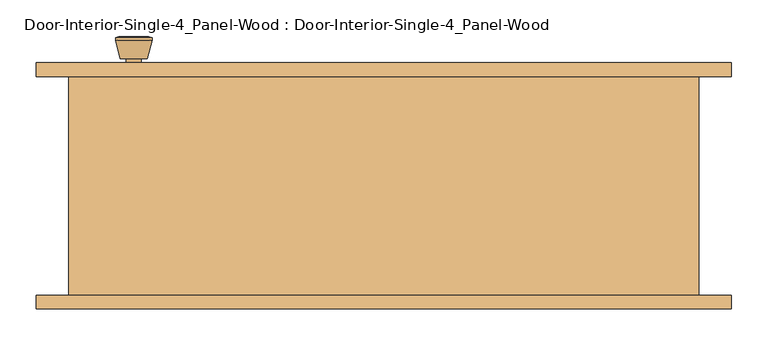
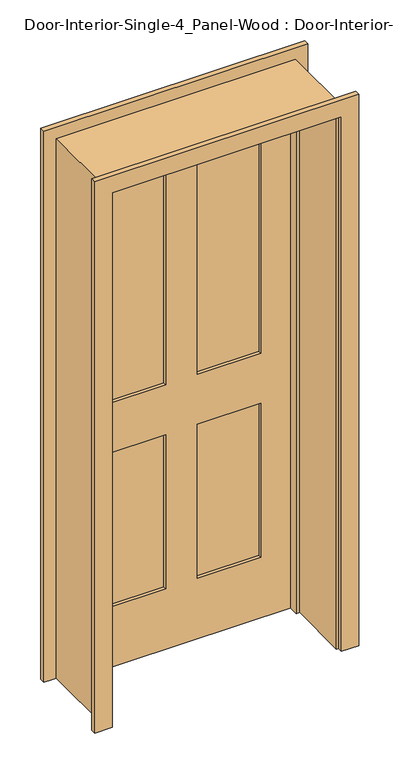
"""IFC4 building model written with IfcOpenShell, lengths in millimetres: door geometry, Door-Interior-Single-4_Panel-Wood : Door-Interior-Single-4_Panel-Wood."""

from ifc_helpers import new_model, si_unit, point, frame, frame_2d, origin, place, context, project, spatial, polyline, circle_curve, trimmed, segment, composite_curve, outline, extrude, faceted_brep, source, transform, mapped, element, save
from ifc_brep_helpers import plane_surface, cylinder_surface, revolved_surface, advanced_brep


def door_interior_single_4_panel_wood_door_interior_single_4_845aaf07(model_context):
    return source(origin(), model_context, "Body", "SolidModel", [
        advanced_brep(
        [(-342.9, 105.9, 914.4), (-332.9, 105.9, 914.4), (-352.9, 105.9, 914.4), (-322.4241324, 56.9, 914.4), (-342.9, 56.9, 914.4), (-363.3758676, 56.9, 914.4), (-317.9, 58.7278681, 914.4), (-367.9, 58.7278681, 914.4), (-317.9, 62.1915463, 914.4), (-367.9, 62.1915463, 914.4), (-324.263764, 86.9, 914.4), (-361.536236, 86.9, 914.4), (-332.9, 86.9, 914.4), (-352.9, 86.9, 914.4)],
        [
            (0, 1),
            (1, 2, circle_curve(frame((-342.9, 105.9, 914.4), z_axis=(0.0, 1.0, 0.0), x_axis=(-1.0, 0.0, 0.0)), 10.0)),
            (2, 0),
            (2, 1, circle_curve(frame((-342.9, 105.9, 914.4), z_axis=(0.0, 1.0, 0.0), x_axis=(-1.0, 0.0, 0.0)), 10.0)),
            (3, 4),
            (4, 5),
            (5, 3, circle_curve(frame((-342.9, 56.9, 914.4), z_axis=(0.0, -1.0, 0.0), x_axis=(-1.0, 0.0, 0.0)), 20.4758676)),
            (3, 5, circle_curve(frame((-342.9, 56.9, 914.4), z_axis=(0.0, -1.0, 0.0), x_axis=(-1.0, 0.0, 0.0)), 20.4758676)),
            (6, 3),
            (5, 7),
            (7, 6, circle_curve(frame((-342.9, 58.7278681, 914.4), z_axis=(0.0, -1.0, 0.0), x_axis=(-1.0, 0.0, 0.0)), 25.0)),
            (6, 7, circle_curve(frame((-342.9, 58.7278681, 914.4), z_axis=(0.0, -1.0, 0.0), x_axis=(-1.0, 0.0, 0.0)), 25.0)),
            (8, 6),
            (7, 9),
            (9, 8, circle_curve(frame((-342.9, 62.1915463, 914.4), z_axis=(0.0, -1.0, 0.0), x_axis=(-1.0, 0.0, 0.0)), 25.0)),
            (8, 9, circle_curve(frame((-342.9, 62.1915463, 914.4), z_axis=(0.0, -1.0, 0.0), x_axis=(-1.0, 0.0, 0.0)), 25.0)),
            (10, 8),
            (9, 11),
            (11, 10, circle_curve(frame((-342.9, 86.9, 914.4), z_axis=(0.0, -1.0, 0.0), x_axis=(-1.0, 0.0, 0.0)), 18.636236)),
            (10, 11, circle_curve(frame((-342.9, 86.9, 914.4), z_axis=(0.0, -1.0, 0.0), x_axis=(-1.0, 0.0, 0.0)), 18.636236)),
            (12, 10),
            (11, 13),
            (13, 12, circle_curve(frame((-342.9, 86.9, 914.4), z_axis=(0.0, -1.0, 0.0), x_axis=(-1.0, 0.0, 0.0)), 10.0)),
            (12, 13, circle_curve(frame((-342.9, 86.9, 914.4), z_axis=(0.0, -1.0, 0.0), x_axis=(-1.0, 0.0, 0.0)), 10.0)),
            (1, 12),
            (13, 2),
        ],
        [
            plane_surface(frame((-342.9, 105.9, 914.4), z_axis=(0.0, 1.0, 0.0), x_axis=(-1.0, 0.0, 0.0))),
            plane_surface(frame((-342.9, 56.9, 914.4), z_axis=(0.0, -1.0, 0.0), x_axis=(-1.0, 0.0, 0.0))),
            revolved_surface(polyline([(-363.3758676, 56.9, 914.4), (-367.9, 58.7278681, 914.4)]), (-342.9, 105.9, 914.4), (0.0, 1.0, 0.0)),
            cylinder_surface(frame((-342.9, 105.9, 914.4), z_axis=(0.0, 1.0, 0.0), x_axis=(-1.0, 0.0, 0.0)), 25.0),
            revolved_surface(polyline([(-367.9, 62.1915463, 914.4), (-361.536236, 86.9, 914.4)]), (-342.9, 105.9, 914.4), (0.0, 1.0, 0.0)),
            plane_surface(frame((-342.9, 86.9, 914.4), z_axis=(0.0, 1.0, 0.0), x_axis=(-1.0, 0.0, 0.0))),
            cylinder_surface(frame((-342.9, 105.9, 914.4), z_axis=(0.0, 1.0, 0.0), x_axis=(-1.0, 0.0, 0.0)), 10.0),
        ],
        [
            (0, [[1, 2, 3]]),
            (0, [[-3, 4, -1]]),
            (1, [[5, 6, 7]]),
            (1, [[-6, -5, 8]]),
            (2, [[9, -7, 10, 11]]),
            (2, [[-10, -8, -9, 12]]),
            (3, [[13, -11, 14, 15]]),
            (3, [[-14, -12, -13, 16]]),
            (4, [[17, -15, 18, 19]]),
            (4, [[-18, -16, -17, 20]]),
            (5, [[21, -19, 22, 23]]),
            (5, [[-22, -20, -21, 24]]),
            (6, [[25, -23, 26, -2]]),
            (6, [[-26, -24, -25, -4]]),
        ],
    ),
        extrude(outline(composite_curve([segment(trimmed(circle_curve(frame_2d((914.4, -342.9)), 30.0), [point((914.4, -372.9))], [point((914.4, -312.9))], False, "CARTESIAN"), True, "CONTINUOUS"), segment(trimmed(circle_curve(frame_2d((914.4, -342.9)), 30.0), [point((914.4, -312.9))], [point((914.4, -372.9))], False, "CARTESIAN"), True, "CONTINUOUS")], self_intersect=False)), frame((0.0, 105.9, 0.0), z_axis=(0.0, 1.0, 0.0), x_axis=(0.0, 0.0, 1.0)), (0.0, 0.0, 1.0), 6.0),
        advanced_brep(
        [(-342.9, 152.825, 914.4), (-352.9, 152.825, 914.4), (-332.9, 152.825, 914.4), (-322.4241324, 201.825, 914.4), (-363.3758676, 201.825, 914.4), (-342.9, 201.825, 914.4), (-317.9, 199.9971319, 914.4), (-367.9, 199.9971319, 914.4), (-317.9, 196.5334537, 914.4), (-367.9, 196.5334537, 914.4), (-324.263764, 171.825, 914.4), (-361.536236, 171.825, 914.4), (-332.9, 171.825, 914.4), (-352.9, 171.825, 914.4)],
        [
            (0, 1),
            (1, 2, circle_curve(frame((-342.9, 152.825, 914.4), z_axis=(0.0, -1.0, 0.0), x_axis=(-1.0, 0.0, 0.0)), 10.0)),
            (2, 0),
            (2, 1, circle_curve(frame((-342.9, 152.825, 914.4), z_axis=(0.0, -1.0, 0.0), x_axis=(-1.0, 0.0, 0.0)), 10.0)),
            (3, 4, circle_curve(frame((-342.9, 201.825, 914.4), z_axis=(0.0, 1.0, 0.0), x_axis=(-1.0, 0.0, 0.0)), 20.4758676)),
            (4, 5),
            (5, 3),
            (4, 3, circle_curve(frame((-342.9, 201.825, 914.4), z_axis=(0.0, 1.0, 0.0), x_axis=(-1.0, 0.0, 0.0)), 20.4758676)),
            (6, 7, circle_curve(frame((-342.9, 199.9971319, 914.4), z_axis=(0.0, 1.0, 0.0), x_axis=(-1.0, 0.0, 0.0)), 25.0)),
            (7, 4),
            (3, 6),
            (7, 6, circle_curve(frame((-342.9, 199.9971319, 914.4), z_axis=(0.0, 1.0, 0.0), x_axis=(-1.0, 0.0, 0.0)), 25.0)),
            (8, 9, circle_curve(frame((-342.9, 196.5334537, 914.4), z_axis=(0.0, 1.0, 0.0), x_axis=(-1.0, 0.0, 0.0)), 25.0)),
            (9, 7),
            (6, 8),
            (9, 8, circle_curve(frame((-342.9, 196.5334537, 914.4), z_axis=(0.0, 1.0, 0.0), x_axis=(-1.0, 0.0, 0.0)), 25.0)),
            (10, 11, circle_curve(frame((-342.9, 171.825, 914.4), z_axis=(0.0, 1.0, 0.0), x_axis=(-1.0, 0.0, 0.0)), 18.636236)),
            (11, 9),
            (8, 10),
            (11, 10, circle_curve(frame((-342.9, 171.825, 914.4), z_axis=(0.0, 1.0, 0.0), x_axis=(-1.0, 0.0, 0.0)), 18.636236)),
            (12, 13, circle_curve(frame((-342.9, 171.825, 914.4), z_axis=(0.0, 1.0, 0.0), x_axis=(-1.0, 0.0, 0.0)), 10.0)),
            (13, 11),
            (10, 12),
            (13, 12, circle_curve(frame((-342.9, 171.825, 914.4), z_axis=(0.0, 1.0, 0.0), x_axis=(-1.0, 0.0, 0.0)), 10.0)),
            (1, 13),
            (12, 2),
        ],
        [
            plane_surface(frame((-342.9, 152.825, 914.4), z_axis=(0.0, -1.0, 0.0), x_axis=(-1.0, 0.0, 0.0))),
            plane_surface(frame((-342.9, 201.825, 914.4), z_axis=(0.0, 1.0, 0.0), x_axis=(-1.0, 0.0, 0.0))),
            revolved_surface(polyline([(-363.3758676, 201.825, 914.4), (-367.9, 199.9971319, 914.4)]), (-342.9, 152.825, 914.4), (0.0, -1.0, 0.0)),
            cylinder_surface(frame((-342.9, 152.825, 914.4), z_axis=(0.0, -1.0, 0.0), x_axis=(-1.0, 0.0, 0.0)), 25.0),
            revolved_surface(polyline([(-367.9, 196.5334537, 914.4), (-361.536236, 171.825, 914.4)]), (-342.9, 152.825, 914.4), (0.0, -1.0, 0.0)),
            plane_surface(frame((-342.9, 171.825, 914.4), z_axis=(0.0, -1.0, 0.0), x_axis=(-1.0, 0.0, 0.0))),
            cylinder_surface(frame((-342.9, 152.825, 914.4), z_axis=(0.0, -1.0, 0.0), x_axis=(-1.0, 0.0, 0.0)), 10.0),
        ],
        [
            (0, [[1, 2, 3]]),
            (0, [[-3, 4, -1]]),
            (1, [[5, 6, 7]]),
            (1, [[8, -7, -6]]),
            (2, [[9, 10, -5, 11]]),
            (2, [[12, -11, -8, -10]]),
            (3, [[13, 14, -9, 15]]),
            (3, [[16, -15, -12, -14]]),
            (4, [[17, 18, -13, 19]]),
            (4, [[20, -19, -16, -18]]),
            (5, [[21, 22, -17, 23]]),
            (5, [[24, -23, -20, -22]]),
            (6, [[-2, 25, -21, 26]]),
            (6, [[-4, -26, -24, -25]]),
        ],
    ),
        extrude(outline(composite_curve([segment(trimmed(circle_curve(frame_2d((914.4, -342.9)), 30.0), [point((914.4, -372.9))], [point((914.4, -312.9))], False, "CARTESIAN"), True, "CONTINUOUS"), segment(trimmed(circle_curve(frame_2d((914.4, -342.9)), 30.0), [point((914.4, -312.9))], [point((914.4, -372.9))], False, "CARTESIAN"), True, "CONTINUOUS")], self_intersect=False)), frame((0.0, 146.825, 0.0), z_axis=(0.0, 1.0, 0.0), x_axis=(0.0, 0.0, 1.0)), (0.0, 0.0, 1.0), 6.0),
        extrude(outline(polyline([(285.75, 123.5416667), (57.15, 123.5416667), (57.15, 135.1833333), (285.75, 135.1833333), (285.75, 123.5416667)])), frame((0.0, 0.0, 1009.65), z_axis=(0.0, 0.0, 1.0), x_axis=(1.0, 0.0, 0.0)), (0.0, 0.0, 1.0), 903.2875),
        extrude(outline(polyline([(-57.15, 123.5416667), (-285.75, 123.5416667), (-285.75, 135.1833333), (-57.15, 135.1833333), (-57.15, 123.5416667)])), frame((0.0, 0.0, 1009.65), z_axis=(0.0, 0.0, 1.0), x_axis=(1.0, 0.0, 0.0)), (0.0, 0.0, 1.0), 903.2875),
        extrude(outline(polyline([(285.75, 123.5416667), (57.15, 123.5416667), (57.15, 135.1833333), (285.75, 135.1833333), (285.75, 123.5416667)])), frame((0.0, 0.0, 231.775), z_axis=(0.0, 0.0, 1.0), x_axis=(1.0, 0.0, 0.0)), (0.0, 0.0, 1.0), 587.375),
        extrude(outline(polyline([(-57.15, 123.5416667), (-285.75, 123.5416667), (-285.75, 135.1833333), (-57.15, 135.1833333), (-57.15, 123.5416667)])), frame((0.0, 0.0, 231.775), z_axis=(0.0, 0.0, 1.0), x_axis=(1.0, 0.0, 0.0)), (0.0, 0.0, 1.0), 587.375),
        extrude(outline(polyline([(2032.0, -406.4), (0.0, -406.4), (0.0, 406.4), (2032.0, 406.4), (2032.0, -406.4)]), holes=[polyline([(1912.9375, 57.15), (1912.9375, 285.75), (1009.65, 285.75), (1009.65, 57.15), (1912.9375, 57.15)]), polyline([(1009.65, -57.15), (1009.65, -285.75), (1912.9375, -285.75), (1912.9375, -57.15), (1009.65, -57.15)]), polyline([(819.15, 57.15), (819.15, 285.75), (231.775, 285.75), (231.775, 57.15), (819.15, 57.15)]), polyline([(231.775, -57.15), (231.775, -285.75), (819.15, -285.75), (819.15, -57.15), (231.775, -57.15)])]), frame((0.0, 111.9, 0.0), z_axis=(0.0, 1.0, 0.0), x_axis=(0.0, 0.0, 1.0)), (0.0, 0.0, 1.0), 34.925),
        faceted_brep([(431.8, 146.825, 0.0), (431.8, -153.175, 0.0), (406.4, -153.175, 0.0), (406.4, 76.975, 0.0), (393.7, 76.975, 0.0), (393.7, 111.9, 0.0), (406.4, 111.9, 0.0), (406.4, 146.825, 0.0), (431.8, 146.825, 2057.4), (431.8, -153.175, 2057.4), (-431.8, -153.175, 2057.4), (-431.8, -153.175, 0.0), (-406.4, -153.175, 0.0), (-406.4, -153.175, 2032.0), (406.4, -153.175, 2032.0), (406.4, 76.975, 2032.0), (-406.4, 76.975, 2032.0), (-406.4, 76.975, 0.0), (-393.7, 76.975, 0.0), (-393.7, 76.975, 2019.3), (393.7, 76.975, 2019.3), (393.7, 111.9, 2019.3), (-393.7, 111.9, 2019.3), (-393.7, 111.9, 0.0), (-406.4, 111.9, 0.0), (-406.4, 111.9, 2032.0), (406.4, 111.9, 2032.0), (406.4, 146.825, 2032.0), (-406.4, 146.825, 2032.0), (-406.4, 146.825, 0.0), (-431.8, 146.825, 0.0), (-431.8, 146.825, 2057.4)], [[[0, 1, 2, 3, 4, 5, 6, 7]], [[1, 0, 8, 9]], [[2, 1, 9, 10, 11, 12, 13, 14]], [[3, 2, 14, 15]], [[4, 3, 15, 16, 17, 18, 19, 20]], [[5, 4, 20, 21]], [[6, 5, 21, 22, 23, 24, 25, 26]], [[7, 6, 26, 27]], [[0, 7, 27, 28, 29, 30, 31, 8]], [[9, 8, 31, 10]], [[15, 14, 13, 16]], [[21, 20, 19, 22]], [[27, 26, 25, 28]], [[30, 29, 24, 23, 18, 17, 12, 11]], [[10, 31, 30, 11]], [[16, 13, 12, 17]], [[22, 19, 18, 23]], [[28, 25, 24, 29]]]),
        extrude(outline(polyline([(0.0, 412.75), (0.0, 476.25), (2101.85, 476.25), (2101.85, -476.25), (0.0, -476.25), (0.0, -412.75), (2038.35, -412.75), (2038.35, 412.75), (0.0, 412.75)])), frame((0.0, -172.225, 0.0), z_axis=(0.0, 1.0, 0.0), x_axis=(0.0, 0.0, 1.0)), (0.0, 0.0, 1.0), 19.05),
        extrude(outline(polyline([(0.0, 412.75), (0.0, 476.25), (2101.85, 476.25), (2101.85, -476.25), (0.0, -476.25), (0.0, -412.75), (2038.35, -412.75), (2038.35, 412.75), (0.0, 412.75)])), frame((0.0, 146.825, 0.0), z_axis=(0.0, 1.0, 0.0), x_axis=(0.0, 0.0, 1.0)), (0.0, 0.0, 1.0), 19.05),
    ])


if __name__ == "__main__":
    model = new_model("IFC4")
    model_context = context("Model", 3, world=origin())
    ifc_project = project(units=[si_unit("LENGTHUNIT", "METRE", prefix="MILLI")], contexts=[model_context])
    site = spatial("IfcSite", under=ifc_project)
    building = spatial("IfcBuilding", under=site)
    placement = place(None, origin())
    door_interior_single_4_panel_wood_door_interior_single_4_shape = door_interior_single_4_panel_wood_door_interior_single_4_845aaf07(model_context)
    element("IfcDoor", 1, ObjectType="Door-Interior-Single-4_Panel-Wood : Door-Interior-Single-4_Panel-Wood", at=placement, inside=building, context=model_context, shape_type="MappedRepresentation", body=[
        mapped(door_interior_single_4_panel_wood_door_interior_single_4_shape, transform((0.0, 0.0, 0.0), x_axis=(1.0, 0.0, 0.0), y_axis=(0.0, 1.0, 0.0), z_axis=(0.0, 0.0, 1.0))),
    ])
    save(model, "model.ifc")
